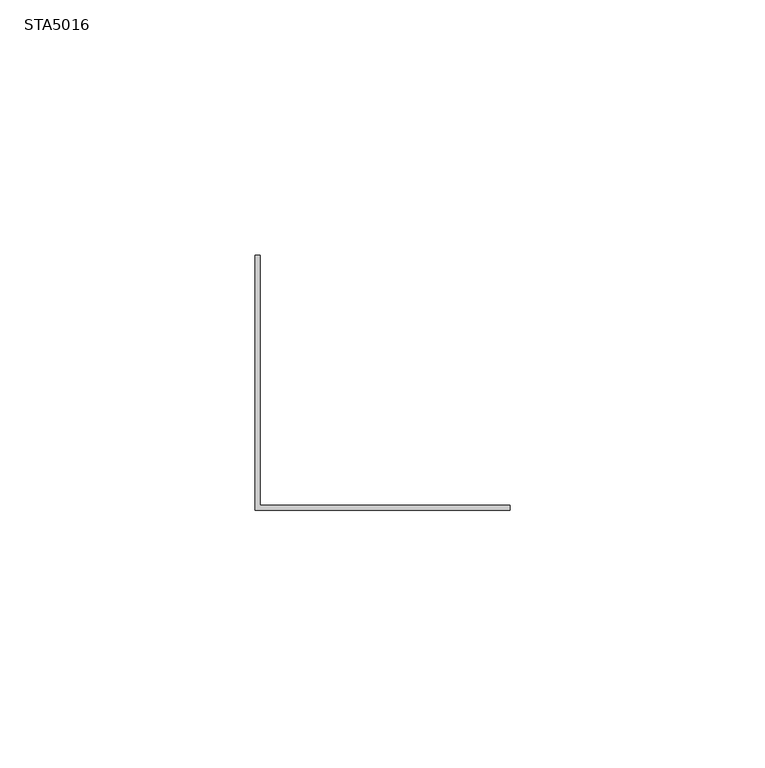
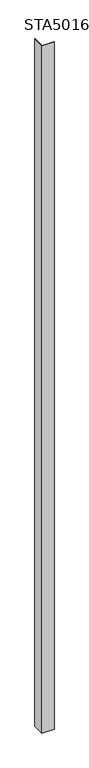
"""IFC4 building model written with IfcOpenShell, lengths in millimetres: proxy geometry, STA5016."""

from ifc_helpers import new_model, si_unit, origin, origin_with_axes, place, context, project, spatial, polyline, outline, extrude, source, transform, mapped, element, save


def sta5016_92aa8a7e(model_context):
    return source(origin(), model_context, "Body", "SweptSolid", [
        extrude(outline(polyline([(-5.0, 45.0), (-4.0, 45.0), (-4.0, -4.0), (45.0, -4.0), (45.0, -5.0), (-5.0, -5.0), (-5.0, 45.0)])), origin_with_axes(), (0.0, 0.0, 1.0), 3000.0),
    ])


if __name__ == "__main__":
    model = new_model("IFC4")
    model_context = context("Model", 3, world=origin())
    ifc_project = project(units=[si_unit("LENGTHUNIT", "METRE", prefix="MILLI")], contexts=[model_context])
    site = spatial("IfcSite", under=ifc_project)
    building = spatial("IfcBuilding", under=site)
    placement = place(None, origin())
    sta5016_shape = sta5016_92aa8a7e(model_context)
    element("IfcBuildingElementProxy", 1, Name="STA5016", ObjectType="STA5016", at=placement, inside=building, context=model_context, shape_type="MappedRepresentation", body=[
        mapped(sta5016_shape, transform((0.0, 0.0, 0.0), x_axis=(1.0, 0.0, 0.0), y_axis=(0.0, 1.0, 0.0), z_axis=(0.0, 0.0, 1.0))),
    ])
    save(model, "model.ifc")
